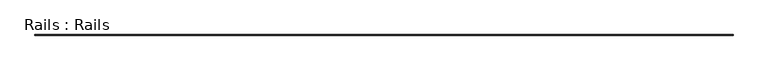
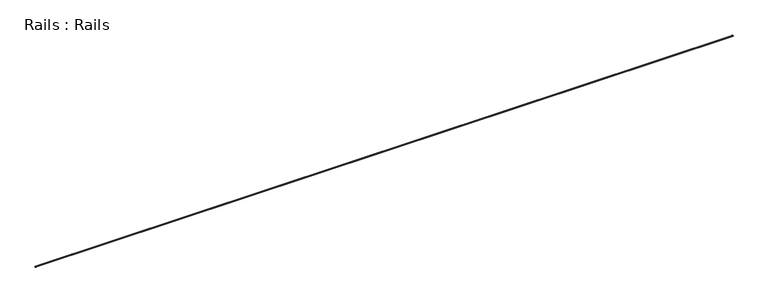
"""IFC4 building model written with IfcOpenShell, lengths in millimetres: geographic element geometry, Rails : Rails."""

import ifcopenshell
import ifcopenshell.guid

model = None  # the IFC model being written
_history = None  # IfcOwnerHistory: only IFC2X3 demands one
_inside = {}  # id of a spatial element -> (the spatial element, [elements in it])
_under = {}  # id of a project, library or spatial element -> (it, [spatial elements below it])
_declared = {}  # id of a project -> (the project, [libraries it declares])
_typed = {}  # id of a type object -> (the type object, [elements of that type])
_made_of = {}  # id of a material, layer set ... -> (it, [elements and type objects made of it])


def new_model(schema):
    """Start an empty IFC model of exactly this schema.

    Asked for "IFC4X3", IfcOpenShell would pick the latest addendum, in which some entities
    have other attributes; the version numbers below select the first issue.
    IFC2X3 requires an IfcOwnerHistory on every rooted entity: one is made here for all.
    """
    global model, _history
    if schema == "IFC4X3":
        model = ifcopenshell.file(schema_version=(4, 3, 0, 0))
    else:
        model = ifcopenshell.file(schema=schema)
    _inside.clear()
    _under.clear()
    _declared.clear()
    _typed.clear()
    _made_of.clear()
    _history = None
    if model.schema == "IFC2X3":
        org = make("IfcOrganization", Name="unknown")
        user = make(
            "IfcPersonAndOrganization",
            ThePerson=make("IfcPerson", FamilyName="unknown"),
            TheOrganization=org,
        )
        app = make(
            "IfcApplication",
            ApplicationDeveloper=org,
            Version="unknown",
            ApplicationFullName="unknown",
            ApplicationIdentifier="unknown",
        )
        _history = make(
            "IfcOwnerHistory",
            OwningUser=user,
            OwningApplication=app,
            ChangeAction="ADDED",
            CreationDate=0,
        )
    return model


def make(cls, **values):
    """One entity of the class cls with the attributes given. An attribute that is None is left unset."""
    return model.create_entity(
        cls, **{name: value for name, value in values.items() if value is not None}
    )


def rooted(cls, **values):
    """An entity with a GlobalId (a new one), such as an element, a storey or a relation."""
    return make(cls, GlobalId=ifcopenshell.guid.new(), OwnerHistory=_history, **values)


def si_unit(unit_type, name, prefix=None):
    """IfcSIUnit, for example si_unit("LENGTHUNIT", "METRE", prefix="MILLI")."""
    return make("IfcSIUnit", UnitType=unit_type, Prefix=prefix, Name=name)


def assignment(units):
    """IfcUnitAssignment: the units of a project."""
    return None if units is None else make("IfcUnitAssignment", Units=units)


def point(xyz):
    """IfcCartesianPoint."""
    return None if xyz is None else make("IfcCartesianPoint", Coordinates=xyz)


def direction(xyz):
    """IfcDirection."""
    return None if xyz is None else make("IfcDirection", DirectionRatios=xyz)


def frame(location, z_axis=None, x_axis=None):
    """IfcAxis2Placement3D, a coordinate frame: its origin and axes. An axis left out is left unset."""
    return make(
        "IfcAxis2Placement3D",
        Location=point(location),
        Axis=direction(z_axis),
        RefDirection=direction(x_axis),
    )


def origin():
    """The frame at (0, 0, 0) with its axes left unset."""
    return frame((0.0, 0.0, 0.0))


def place(relative_to, where):
    """IfcLocalPlacement: puts the frame where relative to a parent placement (None: the world)."""
    return make(
        "IfcLocalPlacement", PlacementRelTo=relative_to, RelativePlacement=where
    )


def context(
    kind, dimensions, precision=None, world=None, true_north=None, identifier=None
):
    """IfcGeometricRepresentationContext, for example the 3D "Model" context."""
    return make(
        "IfcGeometricRepresentationContext",
        ContextIdentifier=identifier,
        ContextType=kind,
        CoordinateSpaceDimension=dimensions,
        Precision=precision,
        WorldCoordinateSystem=world,
        TrueNorth=true_north,
    )


def project(units=None, contexts=None):
    """IfcProject with its units and contexts."""
    return rooted(
        "IfcProject",
        Name="project",
        RepresentationContexts=contexts,
        UnitsInContext=assignment(units),
    )


def spatial(cls, under=None, at=None, **own):
    """A site, building, storey or space (cls), placed at a placement, below another one or the project."""
    s = rooted(cls, ObjectPlacement=at, **own)
    if under is not None:
        _under.setdefault(under.id(), (under, []))[1].append(s)
    return s


def polyline(points):
    """IfcPolyline through the points."""
    return make("IfcPolyline", Points=[point(p) for p in points])


def outline(outer, holes=None, kind="AREA"):
    """IfcArbitraryClosedProfileDef: a profile drawn as a closed curve; with holes, ...WithVoids."""
    if holes is None:
        return make("IfcArbitraryClosedProfileDef", ProfileType=kind, OuterCurve=outer)
    return make(
        "IfcArbitraryProfileDefWithVoids",
        ProfileType=kind,
        OuterCurve=outer,
        InnerCurves=holes,
    )


def extrude(swept, where, along, depth):
    """IfcExtrudedAreaSolid: the profile swept, set in the frame where, extruded along a direction by depth."""
    return make(
        "IfcExtrudedAreaSolid",
        SweptArea=swept,
        Position=where,
        ExtrudedDirection=direction(along),
        Depth=depth,
    )


def shape(context_of_items, identifier, shape_type, items):
    """IfcShapeRepresentation: the items that make up one representation, for example the "Body"."""
    return make(
        "IfcShapeRepresentation",
        ContextOfItems=context_of_items,
        RepresentationIdentifier=identifier,
        RepresentationType=shape_type,
        Items=items,
    )


def source(mapping_origin, context_of_items, identifier, shape_type, items):
    """IfcRepresentationMap: a shape defined once, which mapped items show again and again."""
    return make(
        "IfcRepresentationMap",
        MappingOrigin=mapping_origin,
        MappedRepresentation=shape(context_of_items, identifier, shape_type, items),
    )


def transform(
    local_origin,
    x_axis=None,
    y_axis=None,
    z_axis=None,
    scale=None,
    scale2=None,
    scale3=None,
    uniform=True,
):
    """IfcCartesianTransformationOperator3D, or its non-uniform kind. x_axis, y_axis, z_axis: its Axis1, 2, 3."""
    if uniform:
        return make(
            "IfcCartesianTransformationOperator3D",
            Axis1=direction(x_axis),
            Axis2=direction(y_axis),
            LocalOrigin=point(local_origin),
            Scale=scale,
            Axis3=direction(z_axis),
        )
    return make(
        "IfcCartesianTransformationOperator3DnonUniform",
        Axis1=direction(x_axis),
        Axis2=direction(y_axis),
        LocalOrigin=point(local_origin),
        Scale=scale,
        Axis3=direction(z_axis),
        Scale2=scale2,
        Scale3=scale3,
    )


def mapped(mapping_source, mapping_target):
    """IfcMappedItem: shows the shape of a source again, moved by a transform."""
    return make(
        "IfcMappedItem", MappingSource=mapping_source, MappingTarget=mapping_target
    )


def made_of(thing, what):
    """Note that an element or type object is made of a material, layer set ...; save() writes the relation."""
    if what is not None:
        _made_of.setdefault(what.id(), (what, []))[1].append(thing)
    return thing


def element(
    cls,
    number,
    at=None,
    inside=None,
    cuts=None,
    type_object=None,
    material=None,
    context=None,
    identifier="Body",
    shape_type=None,
    held_by="IfcProductDefinitionShape",
    body=None,
    shapes=None,
    **own,
):
    """One element of the class cls, such as IfcWall. Its Tag is "e" and its number.

    at: its placement. inside: the storey or other place that contains it. cuts: it is an
    opening in that element (IfcRelVoidsElement). A single representation is given by context,
    identifier, shape_type and body (its items); several are given by shapes. held_by: the class
    of the entity that holds the representations. save() writes the other relations.
    """
    e = rooted(cls, Tag="e%d" % number, ObjectPlacement=at, **own)
    if body is not None:
        shapes = [shape(context, identifier, shape_type, body)]
    if shapes is not None:
        e.Representation = make(held_by, Representations=shapes)
    if inside is not None:
        _inside.setdefault(inside.id(), (inside, []))[1].append(e)
    if cuts is not None:
        rooted(
            "IfcRelVoidsElement", RelatingBuildingElement=cuts, RelatedOpeningElement=e
        )
    if type_object is not None:
        _typed.setdefault(type_object.id(), (type_object, []))[1].append(e)
    return made_of(e, material)


def aggregate(whole, parts):
    """IfcRelAggregates: a whole, such as a stair, and the parts it consists of."""
    return rooted("IfcRelAggregates", RelatingObject=whole, RelatedObjects=parts)


def save(model, path):
    """Write the relations noted so far, then the file.

    IfcRelAggregates (storeys below a building ...), IfcRelContainedInSpatialStructure (elements
    in a storey), IfcRelDefinesByType, IfcRelAssociatesMaterial and IfcRelDeclares: one each for
    every whole, place, type object, material and project.
    """
    for whole, parts in _under.values():
        aggregate(whole, parts)
    for where, things in _inside.values():
        rooted(
            "IfcRelContainedInSpatialStructure",
            RelatedElements=things,
            RelatingStructure=where,
        )
    for kind, things in _typed.values():
        rooted("IfcRelDefinesByType", RelatedObjects=things, RelatingType=kind)
    for what, things in _made_of.values():
        rooted("IfcRelAssociatesMaterial", RelatedObjects=things, RelatingMaterial=what)
    for by, libraries in _declared.values():
        rooted("IfcRelDeclares", RelatingContext=by, RelatedDefinitions=libraries)
    model.write(path)


def rails_rails_f2b3e488(model_context):
    return source(origin(), model_context, "Body", "SweptSolid", [
        extrude(outline(polyline([(18040.2751014, -760.0), (17900.2751014, -760.0), (17900.2751014, -745.0), (17963.2751014, -745.0), (17963.2751014, -656.0), (17937.7751014, -656.0), (17937.7751014, -607.0), (18002.7751014, -607.0), (18002.7751014, -656.0), (17977.2751014, -656.0), (17977.2751014, -745.0), (18040.2751014, -745.0), (18040.2751014, -760.0)])), frame((-75461.4052033, 0.0, 0.0), z_axis=(1.0, 0.0, 0.0), x_axis=(0.0, 1.0, 0.0)), (0.0, 0.0, 1.0), 143753.8302848),
    ])


if __name__ == "__main__":
    model = new_model("IFC4")
    model_context = context("Model", 3, world=origin())
    ifc_project = project(units=[si_unit("LENGTHUNIT", "METRE", prefix="MILLI")], contexts=[model_context])
    site = spatial("IfcSite", under=ifc_project)
    building = spatial("IfcBuilding", under=site)
    placement = place(None, origin())
    rails_rails_shape = rails_rails_f2b3e488(model_context)
    element("IfcGeographicElement", 1, ObjectType="Rails : Rails", at=placement, inside=building, context=model_context, shape_type="MappedRepresentation", body=[
        mapped(rails_rails_shape, transform((0.0, 0.0, 0.0), x_axis=(1.0, 0.0, 0.0), y_axis=(0.0, 1.0, 0.0), z_axis=(0.0, 0.0, 1.0))),
    ])
    save(model, "model.ifc")
